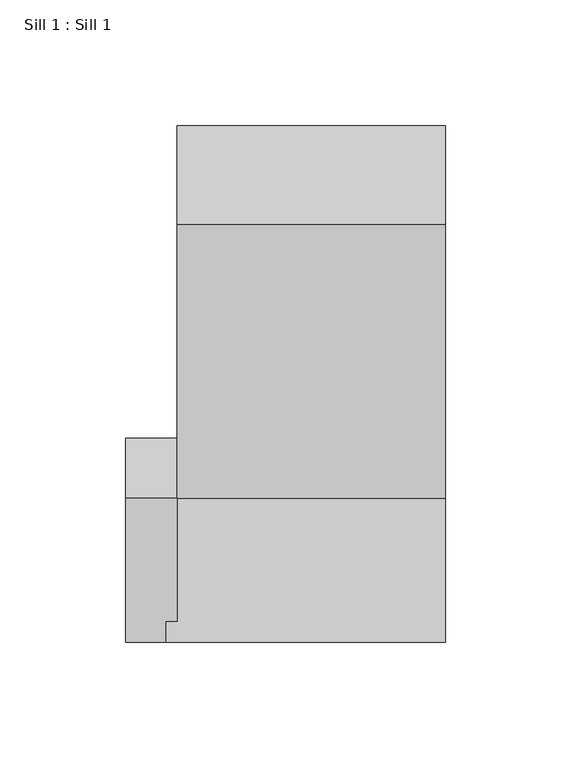
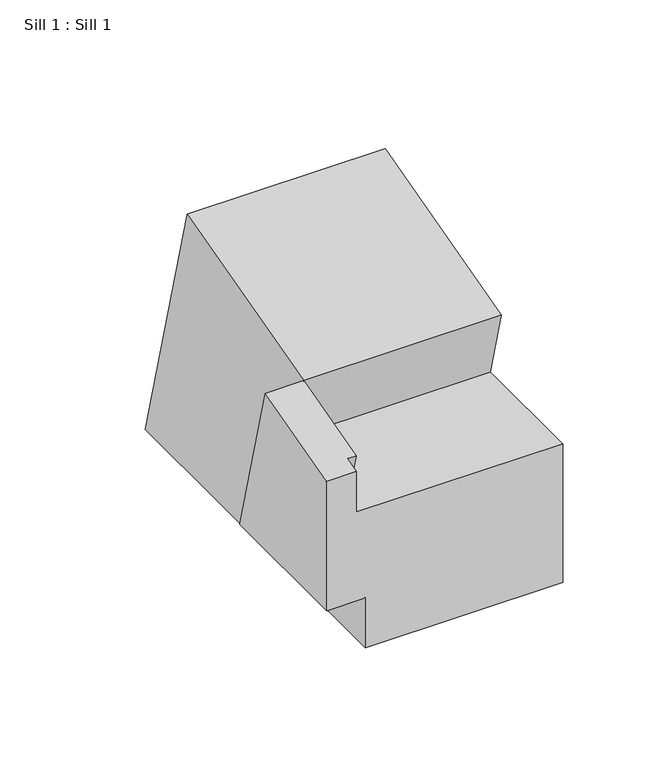
"""IFC4 building model written with IfcOpenShell, lengths in millimetres: proxy geometry, Sill 1 : Sill 1."""

from ifc_helpers import new_model, si_unit, origin, place, context, project, spatial, faceted_brep, source, transform, mapped, element, save


def sill_1_sill_1_f7076340(model_context):
    return source(origin(), model_context, "Body", "Brep", [
        faceted_brep([(-5117.4847818, 3916.7535193, 996.6696515), (-5117.4847818, 3956.1849452, 849.509567), (-5117.4847818, 3750.3136193, 849.509567), (-5117.4847818, 3750.3136193, 878.084567), (-5117.4847818, 3831.7443046, 878.084567), (-5117.4847818, 3818.1324857, 928.884567), (-5117.4847818, 3807.7925711, 967.4736534), (-5010.5881444, 3807.7925711, 967.4736534), (-5010.5881444, 3818.1324857, 928.884567), (-5010.5881444, 3750.3136193, 928.884567), (-5010.5881444, 3750.3136193, 849.509567), (-5010.5881444, 3956.1849452, 849.509567), (-5010.5881444, 3916.7535193, 996.6696515), (-5117.4847818, 3818.1324857, 928.884567), (-5122.217609, 3750.3136193, 928.884567), (-5122.217609, 3750.3136193, 952.0722147), (-5138.086916, 3750.3136193, 952.0722147), (-5138.1633868, 3750.3136193, 878.084567), (-5117.4847818, 3765.5404557, 928.884567), (-5122.217609, 3765.5404557, 928.884567), (-5122.217609, 3758.7235391, 954.325646), (-5117.4847818, 3758.7235391, 954.325646), (-5138.1633868, 3807.7925711, 967.4736534), (-5138.1633868, 3831.7443046, 878.084567)], [[[0, 1, 2, 3, 4, 5, 6]], [[7, 8, 9, 10, 11, 12]], [[8, 7, 6, 13]], [[6, 7, 12, 0]], [[0, 12, 11, 1]], [[10, 9, 14, 15, 16, 17, 3, 2]], [[9, 8, 13, 18, 19, 14]], [[11, 10, 2, 1]], [[16, 15, 20, 21, 6, 22]], [[16, 22, 23, 17]], [[18, 21, 20, 19]], [[6, 21, 18, 13]], [[22, 6, 5, 4, 23]], [[17, 23, 4, 3]], [[20, 15, 14, 19]]]),
    ])


if __name__ == "__main__":
    model = new_model("IFC4")
    model_context = context("Model", 3, world=origin())
    ifc_project = project(units=[si_unit("LENGTHUNIT", "METRE", prefix="MILLI")], contexts=[model_context])
    site = spatial("IfcSite", under=ifc_project)
    building = spatial("IfcBuilding", under=site)
    placement = place(None, origin())
    sill_1_sill_1_shape = sill_1_sill_1_f7076340(model_context)
    element("IfcBuildingElementProxy", 1, Name="Sill 1 : Sill 1", ObjectType="Sill 1 : Sill 1", at=placement, inside=building, context=model_context, shape_type="MappedRepresentation", body=[
        mapped(sill_1_sill_1_shape, transform((0.0, 0.0, 0.0), x_axis=(1.0, 0.0, 0.0), y_axis=(0.0, 1.0, 0.0), z_axis=(0.0, 0.0, 1.0))),
    ])
    save(model, "model.ifc")
